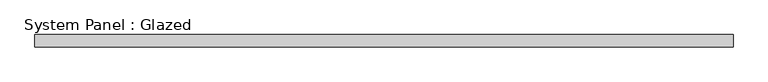
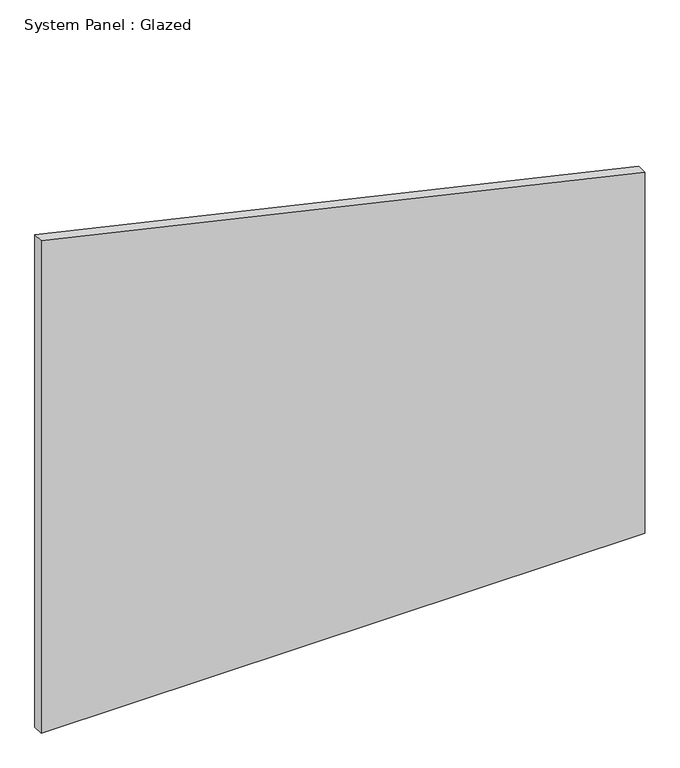
"""IFC4 building model written with IfcOpenShell, lengths in millimetres: plate geometry, System Panel : Glazed."""

from ifc_helpers import new_model, si_unit, frame, origin, place, context, project, spatial, polyline, outline, extrude, source, transform, mapped, element, save


def system_panel_glazed_985506b9(model_context):
    return source(origin(), model_context, "Body", "SweptSolid", [
        extrude(outline(polyline([(0.0, -722.85), (0.0, 722.85), (913.9566038, 722.85), (1245.8507315, -722.85), (0.0, -722.85)])), frame((0.0, 19.05, 0.0), z_axis=(0.0, 1.0, 0.0), x_axis=(0.0, 0.0, 1.0)), (0.0, 0.0, 1.0), 25.4),
    ])


if __name__ == "__main__":
    model = new_model("IFC4")
    model_context = context("Model", 3, world=origin())
    ifc_project = project(units=[si_unit("LENGTHUNIT", "METRE", prefix="MILLI")], contexts=[model_context])
    site = spatial("IfcSite", under=ifc_project)
    building = spatial("IfcBuilding", under=site)
    placement = place(None, origin())
    system_panel_glazed_shape = system_panel_glazed_985506b9(model_context)
    element("IfcPlate", 1, ObjectType="System Panel : Glazed", at=placement, inside=building, context=model_context, shape_type="MappedRepresentation", body=[
        mapped(system_panel_glazed_shape, transform((0.0, 0.0, 0.0), x_axis=(1.0, 0.0, 0.0), y_axis=(0.0, 1.0, 0.0), z_axis=(0.0, 0.0, 1.0))),
    ])
    save(model, "model.ifc")
